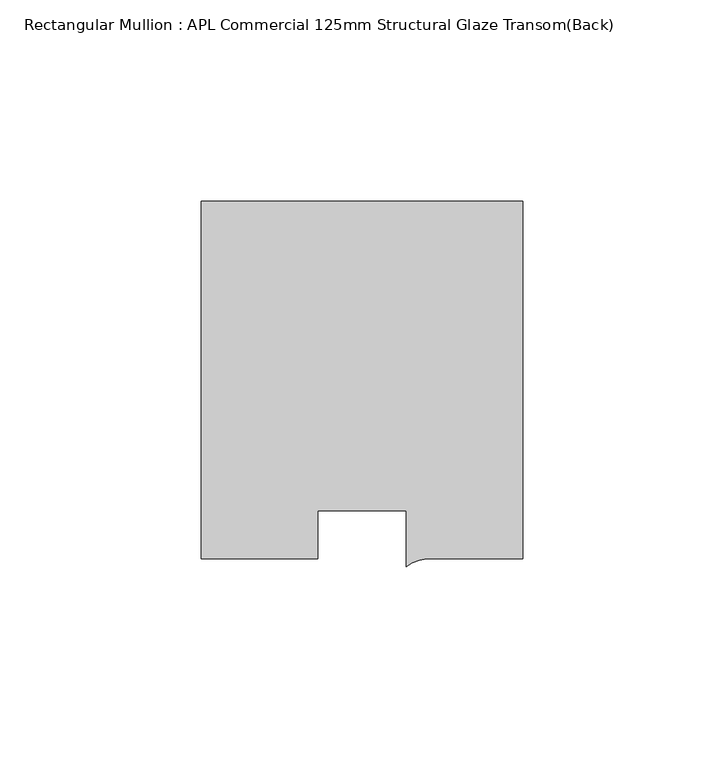
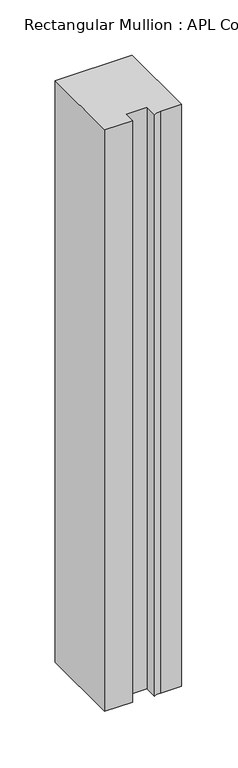
"""IFC4 building model written with IfcOpenShell, lengths in millimetres: member geometry, Rectangular Mullion : APL Commercial 125mm Structural Glaze Transom(Back)."""

import ifcopenshell
import ifcopenshell.guid

model = None  # the IFC model being written
_history = None  # IfcOwnerHistory: only IFC2X3 demands one
_inside = {}  # id of a spatial element -> (the spatial element, [elements in it])
_under = {}  # id of a project, library or spatial element -> (it, [spatial elements below it])
_declared = {}  # id of a project -> (the project, [libraries it declares])
_typed = {}  # id of a type object -> (the type object, [elements of that type])
_made_of = {}  # id of a material, layer set ... -> (it, [elements and type objects made of it])


def new_model(schema):
    """Start an empty IFC model of exactly this schema.

    Asked for "IFC4X3", IfcOpenShell would pick the latest addendum, in which some entities
    have other attributes; the version numbers below select the first issue.
    IFC2X3 requires an IfcOwnerHistory on every rooted entity: one is made here for all.
    """
    global model, _history
    if schema == "IFC4X3":
        model = ifcopenshell.file(schema_version=(4, 3, 0, 0))
    else:
        model = ifcopenshell.file(schema=schema)
    _inside.clear()
    _under.clear()
    _declared.clear()
    _typed.clear()
    _made_of.clear()
    _history = None
    if model.schema == "IFC2X3":
        org = make("IfcOrganization", Name="unknown")
        user = make(
            "IfcPersonAndOrganization",
            ThePerson=make("IfcPerson", FamilyName="unknown"),
            TheOrganization=org,
        )
        app = make(
            "IfcApplication",
            ApplicationDeveloper=org,
            Version="unknown",
            ApplicationFullName="unknown",
            ApplicationIdentifier="unknown",
        )
        _history = make(
            "IfcOwnerHistory",
            OwningUser=user,
            OwningApplication=app,
            ChangeAction="ADDED",
            CreationDate=0,
        )
    return model


def make(cls, **values):
    """One entity of the class cls with the attributes given. An attribute that is None is left unset."""
    return model.create_entity(
        cls, **{name: value for name, value in values.items() if value is not None}
    )


def rooted(cls, **values):
    """An entity with a GlobalId (a new one), such as an element, a storey or a relation."""
    return make(cls, GlobalId=ifcopenshell.guid.new(), OwnerHistory=_history, **values)


def si_unit(unit_type, name, prefix=None):
    """IfcSIUnit, for example si_unit("LENGTHUNIT", "METRE", prefix="MILLI")."""
    return make("IfcSIUnit", UnitType=unit_type, Prefix=prefix, Name=name)


def assignment(units):
    """IfcUnitAssignment: the units of a project."""
    return None if units is None else make("IfcUnitAssignment", Units=units)


def point(xyz):
    """IfcCartesianPoint."""
    return None if xyz is None else make("IfcCartesianPoint", Coordinates=xyz)


def direction(xyz):
    """IfcDirection."""
    return None if xyz is None else make("IfcDirection", DirectionRatios=xyz)


def frame(location, z_axis=None, x_axis=None):
    """IfcAxis2Placement3D, a coordinate frame: its origin and axes. An axis left out is left unset."""
    return make(
        "IfcAxis2Placement3D",
        Location=point(location),
        Axis=direction(z_axis),
        RefDirection=direction(x_axis),
    )


def frame_2d(location, x_axis=None):
    """IfcAxis2Placement2D, a coordinate frame in the plane: its origin and x axis."""
    return make(
        "IfcAxis2Placement2D", Location=point(location), RefDirection=direction(x_axis)
    )


def origin():
    """The frame at (0, 0, 0) with its axes left unset."""
    return frame((0.0, 0.0, 0.0))


def place(relative_to, where):
    """IfcLocalPlacement: puts the frame where relative to a parent placement (None: the world)."""
    return make(
        "IfcLocalPlacement", PlacementRelTo=relative_to, RelativePlacement=where
    )


def context(
    kind, dimensions, precision=None, world=None, true_north=None, identifier=None
):
    """IfcGeometricRepresentationContext, for example the 3D "Model" context."""
    return make(
        "IfcGeometricRepresentationContext",
        ContextIdentifier=identifier,
        ContextType=kind,
        CoordinateSpaceDimension=dimensions,
        Precision=precision,
        WorldCoordinateSystem=world,
        TrueNorth=true_north,
    )


def project(units=None, contexts=None):
    """IfcProject with its units and contexts."""
    return rooted(
        "IfcProject",
        Name="project",
        RepresentationContexts=contexts,
        UnitsInContext=assignment(units),
    )


def spatial(cls, under=None, at=None, **own):
    """A site, building, storey or space (cls), placed at a placement, below another one or the project."""
    s = rooted(cls, ObjectPlacement=at, **own)
    if under is not None:
        _under.setdefault(under.id(), (under, []))[1].append(s)
    return s


def polyline(points):
    """IfcPolyline through the points."""
    return make("IfcPolyline", Points=[point(p) for p in points])


def circle_curve(where, radius):
    """IfcCircle in the frame where."""
    return make("IfcCircle", Position=where, Radius=radius)


def trimmed(basis, trim1, trim2, sense, master):
    """IfcTrimmedCurve: the piece of a basis curve between two trims."""
    return make(
        "IfcTrimmedCurve",
        BasisCurve=basis,
        Trim1=trim1,
        Trim2=trim2,
        SenseAgreement=sense,
        MasterRepresentation=master,
    )


def segment(curve, same_sense, transition):
    """IfcCompositeCurveSegment."""
    return make(
        "IfcCompositeCurveSegment",
        Transition=transition,
        SameSense=same_sense,
        ParentCurve=curve,
    )


def composite_curve(segments, self_intersect=None):
    """IfcCompositeCurve: segments joined end to end."""
    return make("IfcCompositeCurve", Segments=segments, SelfIntersect=self_intersect)


def outline(outer, holes=None, kind="AREA"):
    """IfcArbitraryClosedProfileDef: a profile drawn as a closed curve; with holes, ...WithVoids."""
    if holes is None:
        return make("IfcArbitraryClosedProfileDef", ProfileType=kind, OuterCurve=outer)
    return make(
        "IfcArbitraryProfileDefWithVoids",
        ProfileType=kind,
        OuterCurve=outer,
        InnerCurves=holes,
    )


def extrude(swept, where, along, depth):
    """IfcExtrudedAreaSolid: the profile swept, set in the frame where, extruded along a direction by depth."""
    return make(
        "IfcExtrudedAreaSolid",
        SweptArea=swept,
        Position=where,
        ExtrudedDirection=direction(along),
        Depth=depth,
    )


def shape(context_of_items, identifier, shape_type, items):
    """IfcShapeRepresentation: the items that make up one representation, for example the "Body"."""
    return make(
        "IfcShapeRepresentation",
        ContextOfItems=context_of_items,
        RepresentationIdentifier=identifier,
        RepresentationType=shape_type,
        Items=items,
    )


def source(mapping_origin, context_of_items, identifier, shape_type, items):
    """IfcRepresentationMap: a shape defined once, which mapped items show again and again."""
    return make(
        "IfcRepresentationMap",
        MappingOrigin=mapping_origin,
        MappedRepresentation=shape(context_of_items, identifier, shape_type, items),
    )


def transform(
    local_origin,
    x_axis=None,
    y_axis=None,
    z_axis=None,
    scale=None,
    scale2=None,
    scale3=None,
    uniform=True,
):
    """IfcCartesianTransformationOperator3D, or its non-uniform kind. x_axis, y_axis, z_axis: its Axis1, 2, 3."""
    if uniform:
        return make(
            "IfcCartesianTransformationOperator3D",
            Axis1=direction(x_axis),
            Axis2=direction(y_axis),
            LocalOrigin=point(local_origin),
            Scale=scale,
            Axis3=direction(z_axis),
        )
    return make(
        "IfcCartesianTransformationOperator3DnonUniform",
        Axis1=direction(x_axis),
        Axis2=direction(y_axis),
        LocalOrigin=point(local_origin),
        Scale=scale,
        Axis3=direction(z_axis),
        Scale2=scale2,
        Scale3=scale3,
    )


def mapped(mapping_source, mapping_target):
    """IfcMappedItem: shows the shape of a source again, moved by a transform."""
    return make(
        "IfcMappedItem", MappingSource=mapping_source, MappingTarget=mapping_target
    )


def made_of(thing, what):
    """Note that an element or type object is made of a material, layer set ...; save() writes the relation."""
    if what is not None:
        _made_of.setdefault(what.id(), (what, []))[1].append(thing)
    return thing


def element(
    cls,
    number,
    at=None,
    inside=None,
    cuts=None,
    type_object=None,
    material=None,
    context=None,
    identifier="Body",
    shape_type=None,
    held_by="IfcProductDefinitionShape",
    body=None,
    shapes=None,
    **own,
):
    """One element of the class cls, such as IfcWall. Its Tag is "e" and its number.

    at: its placement. inside: the storey or other place that contains it. cuts: it is an
    opening in that element (IfcRelVoidsElement). A single representation is given by context,
    identifier, shape_type and body (its items); several are given by shapes. held_by: the class
    of the entity that holds the representations. save() writes the other relations.
    """
    e = rooted(cls, Tag="e%d" % number, ObjectPlacement=at, **own)
    if body is not None:
        shapes = [shape(context, identifier, shape_type, body)]
    if shapes is not None:
        e.Representation = make(held_by, Representations=shapes)
    if inside is not None:
        _inside.setdefault(inside.id(), (inside, []))[1].append(e)
    if cuts is not None:
        rooted(
            "IfcRelVoidsElement", RelatingBuildingElement=cuts, RelatedOpeningElement=e
        )
    if type_object is not None:
        _typed.setdefault(type_object.id(), (type_object, []))[1].append(e)
    return made_of(e, material)


def aggregate(whole, parts):
    """IfcRelAggregates: a whole, such as a stair, and the parts it consists of."""
    return rooted("IfcRelAggregates", RelatingObject=whole, RelatedObjects=parts)


def save(model, path):
    """Write the relations noted so far, then the file.

    IfcRelAggregates (storeys below a building ...), IfcRelContainedInSpatialStructure (elements
    in a storey), IfcRelDefinesByType, IfcRelAssociatesMaterial and IfcRelDeclares: one each for
    every whole, place, type object, material and project.
    """
    for whole, parts in _under.values():
        aggregate(whole, parts)
    for where, things in _inside.values():
        rooted(
            "IfcRelContainedInSpatialStructure",
            RelatedElements=things,
            RelatingStructure=where,
        )
    for kind, things in _typed.values():
        rooted("IfcRelDefinesByType", RelatedObjects=things, RelatingType=kind)
    for what, things in _made_of.values():
        rooted("IfcRelAssociatesMaterial", RelatedObjects=things, RelatingMaterial=what)
    for by, libraries in _declared.values():
        rooted("IfcRelDeclares", RelatingContext=by, RelatedDefinitions=libraries)
    model.write(path)


def rectangular_mullion_apl_commercial_125mm_structural_glaze_3a9bf90f(model_context):
    return source(origin(), model_context, "Body", "SweptSolid", [
        extrude(outline(composite_curve([segment(polyline([(40.0, 104.0), (40.0, 15.0000829), (17.9999542, 15.0000829)]), True, "CONTINUOUS"), segment(trimmed(circle_curve(frame_2d((17.1097719, 4.581653)), 10.4563907), [point((17.9999542, 15.0000829))], [point((11.0000151, 13.0673455))], True, "CARTESIAN"), True, "CONTINUOUS"), segment(polyline([(11.0000151, 13.0673455), (11.0000151, 27.0), (-11.0000151, 27.0), (-11.0000151, 15.0000829), (-40.0, 15.0000829), (-40.0, 104.0), (40.0, 104.0)]), True, "CONTINUOUS")], self_intersect=False)), frame((0.0, 0.0, -640.0000409), z_axis=(0.0, 0.0, 1.0), x_axis=(1.0, 0.0, 0.0)), (0.0, 0.0, 1.0), 640.0000409),
    ])


if __name__ == "__main__":
    model = new_model("IFC4")
    model_context = context("Model", 3, world=origin())
    ifc_project = project(units=[si_unit("LENGTHUNIT", "METRE", prefix="MILLI")], contexts=[model_context])
    site = spatial("IfcSite", under=ifc_project)
    building = spatial("IfcBuilding", under=site)
    placement = place(None, origin())
    rectangular_mullion_apl_commercial_125mm_structural_glaze_shape = rectangular_mullion_apl_commercial_125mm_structural_glaze_3a9bf90f(model_context)
    element("IfcMember", 1, ObjectType="Rectangular Mullion : APL Commercial 125mm Structural Glaze Transom(Back)", at=placement, inside=building, context=model_context, shape_type="MappedRepresentation", body=[
        mapped(rectangular_mullion_apl_commercial_125mm_structural_glaze_shape, transform((0.0, 0.0, 0.0), x_axis=(1.0, 0.0, 0.0), y_axis=(0.0, 1.0, 0.0), z_axis=(0.0, 0.0, 1.0))),
    ])
    save(model, "model.ifc")
